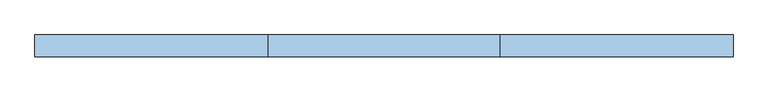
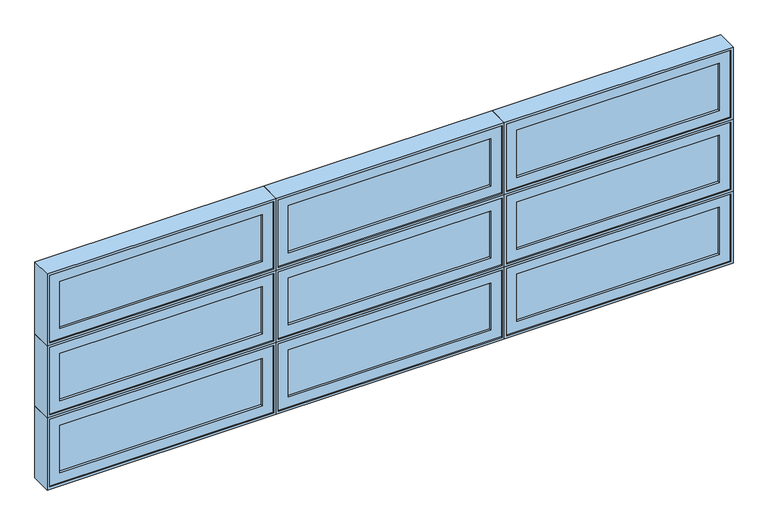
"""IFC4 building model written with IfcOpenShell, lengths in millimetres: window geometry."""

from ifc_helpers import new_model, si_unit, frame, origin, place, context, project, spatial, polyline, outline, extrude, faceted_brep, source, transform, mapped, element, save


def window_09b74c7e(model_context):
    return source(origin(), model_context, "Body", "SolidModel", [
        faceted_brep([(-2310.9781766, -42.8625, 1739.9), (-3504.7781766, -42.8625, 1739.9), (-3504.7781766, -93.6625, 1739.9), (-2310.9781766, -93.6625, 1739.9), (-2330.0281766, 20.6375, 1758.95), (-3485.7281766, 20.6375, 1758.95), (-3485.7281766, -42.8625, 1758.95), (-2330.0281766, -42.8625, 1758.95), (-2298.2781766, -93.6625, 1727.2), (-3517.4781766, -93.6625, 1727.2), (-3517.4781766, 20.6375, 1727.2), (-2298.2781766, 20.6375, 1727.2), (-3504.7781766, -42.8625, 2120.9), (-3504.7781766, -93.6625, 2120.9), (-3485.7281766, 20.6375, 2101.85), (-3485.7281766, -42.8625, 2101.85), (-3517.4781766, -93.6625, 2133.6), (-3517.4781766, 20.6375, 2133.6), (-2310.9781766, -42.8625, 2120.9), (-2310.9781766, -93.6625, 2120.9), (-2330.0281766, 20.6375, 2101.85), (-2330.0281766, -42.8625, 2101.85), (-2298.2781766, -93.6625, 2133.6), (-2298.2781766, 20.6375, 2133.6)], [[[0, 1, 2, 3]], [[4, 5, 6, 7]], [[8, 9, 10, 11]], [[1, 12, 13, 2]], [[5, 14, 15, 6]], [[9, 16, 17, 10]], [[12, 18, 19, 13]], [[14, 20, 21, 15]], [[16, 22, 23, 17]], [[9, 8, 22, 16], [3, 2, 13, 19]], [[18, 0, 3, 19]], [[1, 0, 18, 12], [7, 6, 15, 21]], [[20, 4, 7, 21]], [[11, 10, 17, 23], [5, 4, 20, 14]], [[22, 8, 11, 23]]]),
        extrude(outline(polyline([(-2368.1281766, -74.6125), (-3447.6281766, -74.6125), (-3447.6281766, -68.2625), (-2368.1281766, -68.2625), (-2368.1281766, -74.6125)])), frame((0.0, 0.0, 1797.05), z_axis=(0.0, 0.0, 1.0), x_axis=(1.0, 0.0, 0.0)), (0.0, 0.0, 1.0), 266.7),
        extrude(outline(polyline([(-2368.1281766, -61.9125), (-3447.6281766, -61.9125), (-3447.6281766, -55.5625), (-2368.1281766, -55.5625), (-2368.1281766, -61.9125)])), frame((0.0, 0.0, 1797.05), z_axis=(0.0, 0.0, 1.0), x_axis=(1.0, 0.0, 0.0)), (0.0, 0.0, 1.0), 266.7),
        extrude(outline(polyline([(2120.9, -3504.7781766), (1739.9, -3504.7781766), (1739.9, -2310.9781766), (2120.9, -2310.9781766), (2120.9, -3504.7781766)]), holes=[polyline([(1797.05, -3447.6281766), (2063.75, -3447.6281766), (2063.75, -2368.1281766), (1797.05, -2368.1281766), (1797.05, -3447.6281766)])]), frame((0.0, -87.3125, 0.0), z_axis=(0.0, 1.0, 0.0), x_axis=(0.0, 0.0, 1.0)), (0.0, 0.0, 1.0), 44.45),
        faceted_brep([(-2310.9781766, -42.8625, 1333.5), (-3504.7781766, -42.8625, 1333.5), (-3504.7781766, -93.6625, 1333.5), (-2310.9781766, -93.6625, 1333.5), (-2330.0281766, 20.6375, 1352.55), (-3485.7281766, 20.6375, 1352.55), (-3485.7281766, -42.8625, 1352.55), (-2330.0281766, -42.8625, 1352.55), (-2298.2781766, -93.6625, 1320.8), (-3517.4781766, -93.6625, 1320.8), (-3517.4781766, 20.6375, 1320.8), (-2298.2781766, 20.6375, 1320.8), (-3504.7781766, -42.8625, 1714.5), (-3504.7781766, -93.6625, 1714.5), (-3485.7281766, 20.6375, 1695.45), (-3485.7281766, -42.8625, 1695.45), (-3517.4781766, -93.6625, 1727.2), (-3517.4781766, 20.6375, 1727.2), (-2310.9781766, -42.8625, 1714.5), (-2310.9781766, -93.6625, 1714.5), (-2330.0281766, 20.6375, 1695.45), (-2330.0281766, -42.8625, 1695.45), (-2298.2781766, -93.6625, 1727.2), (-2298.2781766, 20.6375, 1727.2)], [[[0, 1, 2, 3]], [[4, 5, 6, 7]], [[8, 9, 10, 11]], [[1, 12, 13, 2]], [[5, 14, 15, 6]], [[9, 16, 17, 10]], [[12, 18, 19, 13]], [[14, 20, 21, 15]], [[16, 22, 23, 17]], [[9, 8, 22, 16], [3, 2, 13, 19]], [[18, 0, 3, 19]], [[1, 0, 18, 12], [7, 6, 15, 21]], [[20, 4, 7, 21]], [[11, 10, 17, 23], [5, 4, 20, 14]], [[22, 8, 11, 23]]]),
        extrude(outline(polyline([(-2368.1281766, -74.6125), (-3447.6281766, -74.6125), (-3447.6281766, -68.2625), (-2368.1281766, -68.2625), (-2368.1281766, -74.6125)])), frame((0.0, 0.0, 1390.65), z_axis=(0.0, 0.0, 1.0), x_axis=(1.0, 0.0, 0.0)), (0.0, 0.0, 1.0), 266.7),
        extrude(outline(polyline([(-2368.1281766, -61.9125), (-3447.6281766, -61.9125), (-3447.6281766, -55.5625), (-2368.1281766, -55.5625), (-2368.1281766, -61.9125)])), frame((0.0, 0.0, 1390.65), z_axis=(0.0, 0.0, 1.0), x_axis=(1.0, 0.0, 0.0)), (0.0, 0.0, 1.0), 266.7),
        extrude(outline(polyline([(1714.5, -3504.7781766), (1333.5, -3504.7781766), (1333.5, -2310.9781766), (1714.5, -2310.9781766), (1714.5, -3504.7781766)]), holes=[polyline([(1390.65, -3447.6281766), (1657.35, -3447.6281766), (1657.35, -2368.1281766), (1390.65, -2368.1281766), (1390.65, -3447.6281766)])]), frame((0.0, -87.3125, 0.0), z_axis=(0.0, 1.0, 0.0), x_axis=(0.0, 0.0, 1.0)), (0.0, 0.0, 1.0), 44.45),
        faceted_brep([(-2310.9781766, -42.8625, 927.1), (-3504.7781766, -42.8625, 927.1), (-3504.7781766, -93.6625, 927.1), (-2310.9781766, -93.6625, 927.1), (-2330.0281766, 20.6375, 946.15), (-3485.7281766, 20.6375, 946.15), (-3485.7281766, -42.8625, 946.15), (-2330.0281766, -42.8625, 946.15), (-2298.2781766, -93.6625, 914.4), (-3517.4781766, -93.6625, 914.4), (-3517.4781766, 20.6375, 914.4), (-2298.2781766, 20.6375, 914.4), (-3504.7781766, -42.8625, 1308.1), (-3504.7781766, -93.6625, 1308.1), (-3485.7281766, 20.6375, 1289.05), (-3485.7281766, -42.8625, 1289.05), (-3517.4781766, -93.6625, 1320.8), (-3517.4781766, 20.6375, 1320.8), (-2310.9781766, -42.8625, 1308.1), (-2310.9781766, -93.6625, 1308.1), (-2330.0281766, 20.6375, 1289.05), (-2330.0281766, -42.8625, 1289.05), (-2298.2781766, -93.6625, 1320.8), (-2298.2781766, 20.6375, 1320.8)], [[[0, 1, 2, 3]], [[4, 5, 6, 7]], [[8, 9, 10, 11]], [[1, 12, 13, 2]], [[5, 14, 15, 6]], [[9, 16, 17, 10]], [[12, 18, 19, 13]], [[14, 20, 21, 15]], [[16, 22, 23, 17]], [[9, 8, 22, 16], [3, 2, 13, 19]], [[18, 0, 3, 19]], [[1, 0, 18, 12], [7, 6, 15, 21]], [[20, 4, 7, 21]], [[11, 10, 17, 23], [5, 4, 20, 14]], [[22, 8, 11, 23]]]),
        extrude(outline(polyline([(-2368.1281766, -74.6125), (-3447.6281766, -74.6125), (-3447.6281766, -68.2625), (-2368.1281766, -68.2625), (-2368.1281766, -74.6125)])), frame((0.0, 0.0, 984.25), z_axis=(0.0, 0.0, 1.0), x_axis=(1.0, 0.0, 0.0)), (0.0, 0.0, 1.0), 266.7),
        extrude(outline(polyline([(-2368.1281766, -61.9125), (-3447.6281766, -61.9125), (-3447.6281766, -55.5625), (-2368.1281766, -55.5625), (-2368.1281766, -61.9125)])), frame((0.0, 0.0, 984.25), z_axis=(0.0, 0.0, 1.0), x_axis=(1.0, 0.0, 0.0)), (0.0, 0.0, 1.0), 266.7),
        extrude(outline(polyline([(1308.1, -3504.7781766), (927.1, -3504.7781766), (927.1, -2310.9781766), (1308.1, -2310.9781766), (1308.1, -3504.7781766)]), holes=[polyline([(984.25, -3447.6281766), (1250.95, -3447.6281766), (1250.95, -2368.1281766), (984.25, -2368.1281766), (984.25, -3447.6281766)])]), frame((0.0, -87.3125, 0.0), z_axis=(0.0, 1.0, 0.0), x_axis=(0.0, 0.0, 1.0)), (0.0, 0.0, 1.0), 44.45),
        faceted_brep([(127.4218234, -42.8625, 1739.9), (-1066.3781766, -42.8625, 1739.9), (-1066.3781766, -93.6625, 1739.9), (127.4218234, -93.6625, 1739.9), (108.3718234, 20.6375, 1758.95), (-1047.3281766, 20.6375, 1758.95), (-1047.3281766, -42.8625, 1758.95), (108.3718234, -42.8625, 1758.95), (140.1218234, -93.6625, 1727.2), (-1079.0781766, -93.6625, 1727.2), (-1079.0781766, 20.6375, 1727.2), (140.1218234, 20.6375, 1727.2), (-1066.3781766, -42.8625, 2120.9), (-1066.3781766, -93.6625, 2120.9), (-1047.3281766, 20.6375, 2101.85), (-1047.3281766, -42.8625, 2101.85), (-1079.0781766, -93.6625, 2133.6), (-1079.0781766, 20.6375, 2133.6), (127.4218234, -42.8625, 2120.9), (127.4218234, -93.6625, 2120.9), (108.3718234, 20.6375, 2101.85), (108.3718234, -42.8625, 2101.85), (140.1218234, -93.6625, 2133.6), (140.1218234, 20.6375, 2133.6)], [[[0, 1, 2, 3]], [[4, 5, 6, 7]], [[8, 9, 10, 11]], [[1, 12, 13, 2]], [[5, 14, 15, 6]], [[9, 16, 17, 10]], [[12, 18, 19, 13]], [[14, 20, 21, 15]], [[16, 22, 23, 17]], [[9, 8, 22, 16], [3, 2, 13, 19]], [[18, 0, 3, 19]], [[1, 0, 18, 12], [7, 6, 15, 21]], [[20, 4, 7, 21]], [[11, 10, 17, 23], [5, 4, 20, 14]], [[22, 8, 11, 23]]]),
        extrude(outline(polyline([(70.2718234, -74.6125), (-1009.2281766, -74.6125), (-1009.2281766, -68.2625), (70.2718234, -68.2625), (70.2718234, -74.6125)])), frame((0.0, 0.0, 1797.05), z_axis=(0.0, 0.0, 1.0), x_axis=(1.0, 0.0, 0.0)), (0.0, 0.0, 1.0), 266.7),
        extrude(outline(polyline([(70.2718234, -61.9125), (-1009.2281766, -61.9125), (-1009.2281766, -55.5625), (70.2718234, -55.5625), (70.2718234, -61.9125)])), frame((0.0, 0.0, 1797.05), z_axis=(0.0, 0.0, 1.0), x_axis=(1.0, 0.0, 0.0)), (0.0, 0.0, 1.0), 266.7),
        extrude(outline(polyline([(2120.9, -1066.3781766), (1739.9, -1066.3781766), (1739.9, 127.4218234), (2120.9, 127.4218234), (2120.9, -1066.3781766)]), holes=[polyline([(1797.05, -1009.2281766), (2063.75, -1009.2281766), (2063.75, 70.2718234), (1797.05, 70.2718234), (1797.05, -1009.2281766)])]), frame((0.0, -87.3125, 0.0), z_axis=(0.0, 1.0, 0.0), x_axis=(0.0, 0.0, 1.0)), (0.0, 0.0, 1.0), 44.45),
        faceted_brep([(127.4218234, -42.8625, 1333.5), (-1066.3781766, -42.8625, 1333.5), (-1066.3781766, -93.6625, 1333.5), (127.4218234, -93.6625, 1333.5), (108.3718234, 20.6375, 1352.55), (-1047.3281766, 20.6375, 1352.55), (-1047.3281766, -42.8625, 1352.55), (108.3718234, -42.8625, 1352.55), (140.1218234, -93.6625, 1320.8), (-1079.0781766, -93.6625, 1320.8), (-1079.0781766, 20.6375, 1320.8), (140.1218234, 20.6375, 1320.8), (-1066.3781766, -42.8625, 1714.5), (-1066.3781766, -93.6625, 1714.5), (-1047.3281766, 20.6375, 1695.45), (-1047.3281766, -42.8625, 1695.45), (-1079.0781766, -93.6625, 1727.2), (-1079.0781766, 20.6375, 1727.2), (127.4218234, -42.8625, 1714.5), (127.4218234, -93.6625, 1714.5), (108.3718234, 20.6375, 1695.45), (108.3718234, -42.8625, 1695.45), (140.1218234, -93.6625, 1727.2), (140.1218234, 20.6375, 1727.2)], [[[0, 1, 2, 3]], [[4, 5, 6, 7]], [[8, 9, 10, 11]], [[1, 12, 13, 2]], [[5, 14, 15, 6]], [[9, 16, 17, 10]], [[12, 18, 19, 13]], [[14, 20, 21, 15]], [[16, 22, 23, 17]], [[9, 8, 22, 16], [3, 2, 13, 19]], [[18, 0, 3, 19]], [[1, 0, 18, 12], [7, 6, 15, 21]], [[20, 4, 7, 21]], [[11, 10, 17, 23], [5, 4, 20, 14]], [[22, 8, 11, 23]]]),
        extrude(outline(polyline([(70.2718234, -74.6125), (-1009.2281766, -74.6125), (-1009.2281766, -68.2625), (70.2718234, -68.2625), (70.2718234, -74.6125)])), frame((0.0, 0.0, 1390.65), z_axis=(0.0, 0.0, 1.0), x_axis=(1.0, 0.0, 0.0)), (0.0, 0.0, 1.0), 266.7),
        extrude(outline(polyline([(70.2718234, -61.9125), (-1009.2281766, -61.9125), (-1009.2281766, -55.5625), (70.2718234, -55.5625), (70.2718234, -61.9125)])), frame((0.0, 0.0, 1390.65), z_axis=(0.0, 0.0, 1.0), x_axis=(1.0, 0.0, 0.0)), (0.0, 0.0, 1.0), 266.7),
        extrude(outline(polyline([(1714.5, -1066.3781766), (1333.5, -1066.3781766), (1333.5, 127.4218234), (1714.5, 127.4218234), (1714.5, -1066.3781766)]), holes=[polyline([(1390.65, -1009.2281766), (1657.35, -1009.2281766), (1657.35, 70.2718234), (1390.65, 70.2718234), (1390.65, -1009.2281766)])]), frame((0.0, -87.3125, 0.0), z_axis=(0.0, 1.0, 0.0), x_axis=(0.0, 0.0, 1.0)), (0.0, 0.0, 1.0), 44.45),
        faceted_brep([(127.4218234, -42.8625, 927.1), (-1066.3781766, -42.8625, 927.1), (-1066.3781766, -93.6625, 927.1), (127.4218234, -93.6625, 927.1), (108.3718234, 20.6375, 946.15), (-1047.3281766, 20.6375, 946.15), (-1047.3281766, -42.8625, 946.15), (108.3718234, -42.8625, 946.15), (140.1218234, -93.6625, 914.4), (-1079.0781766, -93.6625, 914.4), (-1079.0781766, 20.6375, 914.4), (140.1218234, 20.6375, 914.4), (-1066.3781766, -42.8625, 1308.1), (-1066.3781766, -93.6625, 1308.1), (-1047.3281766, 20.6375, 1289.05), (-1047.3281766, -42.8625, 1289.05), (-1079.0781766, -93.6625, 1320.8), (-1079.0781766, 20.6375, 1320.8), (127.4218234, -42.8625, 1308.1), (127.4218234, -93.6625, 1308.1), (108.3718234, 20.6375, 1289.05), (108.3718234, -42.8625, 1289.05), (140.1218234, -93.6625, 1320.8), (140.1218234, 20.6375, 1320.8)], [[[0, 1, 2, 3]], [[4, 5, 6, 7]], [[8, 9, 10, 11]], [[1, 12, 13, 2]], [[5, 14, 15, 6]], [[9, 16, 17, 10]], [[12, 18, 19, 13]], [[14, 20, 21, 15]], [[16, 22, 23, 17]], [[9, 8, 22, 16], [3, 2, 13, 19]], [[18, 0, 3, 19]], [[1, 0, 18, 12], [7, 6, 15, 21]], [[20, 4, 7, 21]], [[11, 10, 17, 23], [5, 4, 20, 14]], [[22, 8, 11, 23]]]),
        extrude(outline(polyline([(70.2718234, -74.6125), (-1009.2281766, -74.6125), (-1009.2281766, -68.2625), (70.2718234, -68.2625), (70.2718234, -74.6125)])), frame((0.0, 0.0, 984.25), z_axis=(0.0, 0.0, 1.0), x_axis=(1.0, 0.0, 0.0)), (0.0, 0.0, 1.0), 266.7),
        extrude(outline(polyline([(70.2718234, -61.9125), (-1009.2281766, -61.9125), (-1009.2281766, -55.5625), (70.2718234, -55.5625), (70.2718234, -61.9125)])), frame((0.0, 0.0, 984.25), z_axis=(0.0, 0.0, 1.0), x_axis=(1.0, 0.0, 0.0)), (0.0, 0.0, 1.0), 266.7),
        extrude(outline(polyline([(1308.1, -1066.3781766), (927.1, -1066.3781766), (927.1, 127.4218234), (1308.1, 127.4218234), (1308.1, -1066.3781766)]), holes=[polyline([(984.25, -1009.2281766), (1250.95, -1009.2281766), (1250.95, 70.2718234), (984.25, 70.2718234), (984.25, -1009.2281766)])]), frame((0.0, -87.3125, 0.0), z_axis=(0.0, 1.0, 0.0), x_axis=(0.0, 0.0, 1.0)), (0.0, 0.0, 1.0), 44.45),
        faceted_brep([(-2285.5781766, -42.8625, 1739.9), (-2285.5781766, -93.6625, 1739.9), (-1091.7781766, -93.6625, 1739.9), (-1091.7781766, -42.8625, 1739.9), (-2266.5281766, 20.6375, 1758.95), (-2266.5281766, -42.8625, 1758.95), (-1110.8281766, -42.8625, 1758.95), (-1110.8281766, 20.6375, 1758.95), (-2298.2781766, -93.6625, 1727.2), (-2298.2781766, 20.6375, 1727.2), (-1079.0781766, 20.6375, 1727.2), (-1079.0781766, -93.6625, 1727.2), (-1091.7781766, -93.6625, 2120.9), (-1091.7781766, -42.8625, 2120.9), (-1110.8281766, -42.8625, 2101.85), (-1110.8281766, 20.6375, 2101.85), (-1079.0781766, 20.6375, 2133.6), (-1079.0781766, -93.6625, 2133.6), (-2285.5781766, -93.6625, 2120.9), (-2285.5781766, -42.8625, 2120.9), (-2266.5281766, -42.8625, 2101.85), (-2266.5281766, 20.6375, 2101.85), (-2298.2781766, 20.6375, 2133.6), (-2298.2781766, -93.6625, 2133.6)], [[[0, 1, 2, 3]], [[4, 5, 6, 7]], [[8, 9, 10, 11]], [[3, 2, 12, 13]], [[7, 6, 14, 15]], [[11, 10, 16, 17]], [[13, 12, 18, 19]], [[15, 14, 20, 21]], [[17, 16, 22, 23]], [[11, 17, 23, 8], [1, 18, 12, 2]], [[19, 18, 1, 0]], [[3, 13, 19, 0], [5, 20, 14, 6]], [[21, 20, 5, 4]], [[9, 22, 16, 10], [7, 15, 21, 4]], [[23, 22, 9, 8]]]),
        extrude(outline(polyline([(-2228.4281766, -74.6125), (-2228.4281766, -68.2625), (-1148.9281766, -68.2625), (-1148.9281766, -74.6125), (-2228.4281766, -74.6125)])), frame((0.0, 0.0, 1797.05), z_axis=(0.0, 0.0, 1.0), x_axis=(1.0, 0.0, 0.0)), (0.0, 0.0, 1.0), 266.7),
        extrude(outline(polyline([(-2228.4281766, -61.9125), (-2228.4281766, -55.5625), (-1148.9281766, -55.5625), (-1148.9281766, -61.9125), (-2228.4281766, -61.9125)])), frame((0.0, 0.0, 1797.05), z_axis=(0.0, 0.0, 1.0), x_axis=(1.0, 0.0, 0.0)), (0.0, 0.0, 1.0), 266.7),
        extrude(outline(polyline([(2120.9, -1091.7781766), (2120.9, -2285.5781766), (1739.9, -2285.5781766), (1739.9, -1091.7781766), (2120.9, -1091.7781766)]), holes=[polyline([(1797.05, -1148.9281766), (1797.05, -2228.4281766), (2063.75, -2228.4281766), (2063.75, -1148.9281766), (1797.05, -1148.9281766)])]), frame((0.0, -87.3125, 0.0), z_axis=(0.0, 1.0, 0.0), x_axis=(0.0, 0.0, 1.0)), (0.0, 0.0, 1.0), 44.45),
        faceted_brep([(-2285.5781766, -42.8625, 1333.5), (-2285.5781766, -93.6625, 1333.5), (-1091.7781766, -93.6625, 1333.5), (-1091.7781766, -42.8625, 1333.5), (-2266.5281766, 20.6375, 1352.55), (-2266.5281766, -42.8625, 1352.55), (-1110.8281766, -42.8625, 1352.55), (-1110.8281766, 20.6375, 1352.55), (-2298.2781766, -93.6625, 1320.8), (-2298.2781766, 20.6375, 1320.8), (-1079.0781766, 20.6375, 1320.8), (-1079.0781766, -93.6625, 1320.8), (-1091.7781766, -93.6625, 1714.5), (-1091.7781766, -42.8625, 1714.5), (-1110.8281766, -42.8625, 1695.45), (-1110.8281766, 20.6375, 1695.45), (-1079.0781766, 20.6375, 1727.2), (-1079.0781766, -93.6625, 1727.2), (-2285.5781766, -93.6625, 1714.5), (-2285.5781766, -42.8625, 1714.5), (-2266.5281766, -42.8625, 1695.45), (-2266.5281766, 20.6375, 1695.45), (-2298.2781766, 20.6375, 1727.2), (-2298.2781766, -93.6625, 1727.2)], [[[0, 1, 2, 3]], [[4, 5, 6, 7]], [[8, 9, 10, 11]], [[3, 2, 12, 13]], [[7, 6, 14, 15]], [[11, 10, 16, 17]], [[13, 12, 18, 19]], [[15, 14, 20, 21]], [[17, 16, 22, 23]], [[11, 17, 23, 8], [1, 18, 12, 2]], [[19, 18, 1, 0]], [[3, 13, 19, 0], [5, 20, 14, 6]], [[21, 20, 5, 4]], [[9, 22, 16, 10], [7, 15, 21, 4]], [[23, 22, 9, 8]]]),
        extrude(outline(polyline([(-2228.4281766, -74.6125), (-2228.4281766, -68.2625), (-1148.9281766, -68.2625), (-1148.9281766, -74.6125), (-2228.4281766, -74.6125)])), frame((0.0, 0.0, 1390.65), z_axis=(0.0, 0.0, 1.0), x_axis=(1.0, 0.0, 0.0)), (0.0, 0.0, 1.0), 266.7),
        extrude(outline(polyline([(-2228.4281766, -61.9125), (-2228.4281766, -55.5625), (-1148.9281766, -55.5625), (-1148.9281766, -61.9125), (-2228.4281766, -61.9125)])), frame((0.0, 0.0, 1390.65), z_axis=(0.0, 0.0, 1.0), x_axis=(1.0, 0.0, 0.0)), (0.0, 0.0, 1.0), 266.7),
        extrude(outline(polyline([(1714.5, -1091.7781766), (1714.5, -2285.5781766), (1333.5, -2285.5781766), (1333.5, -1091.7781766), (1714.5, -1091.7781766)]), holes=[polyline([(1390.65, -1148.9281766), (1390.65, -2228.4281766), (1657.35, -2228.4281766), (1657.35, -1148.9281766), (1390.65, -1148.9281766)])]), frame((0.0, -87.3125, 0.0), z_axis=(0.0, 1.0, 0.0), x_axis=(0.0, 0.0, 1.0)), (0.0, 0.0, 1.0), 44.45),
        faceted_brep([(-2285.5781766, -42.8625, 927.1), (-2285.5781766, -93.6625, 927.1), (-1091.7781766, -93.6625, 927.1), (-1091.7781766, -42.8625, 927.1), (-2266.5281766, 20.6375, 946.15), (-2266.5281766, -42.8625, 946.15), (-1110.8281766, -42.8625, 946.15), (-1110.8281766, 20.6375, 946.15), (-2298.2781766, -93.6625, 914.4), (-2298.2781766, 20.6375, 914.4), (-1079.0781766, 20.6375, 914.4), (-1079.0781766, -93.6625, 914.4), (-1091.7781766, -93.6625, 1308.1), (-1091.7781766, -42.8625, 1308.1), (-1110.8281766, -42.8625, 1289.05), (-1110.8281766, 20.6375, 1289.05), (-1079.0781766, 20.6375, 1320.8), (-1079.0781766, -93.6625, 1320.8), (-2285.5781766, -93.6625, 1308.1), (-2285.5781766, -42.8625, 1308.1), (-2266.5281766, -42.8625, 1289.05), (-2266.5281766, 20.6375, 1289.05), (-2298.2781766, 20.6375, 1320.8), (-2298.2781766, -93.6625, 1320.8)], [[[0, 1, 2, 3]], [[4, 5, 6, 7]], [[8, 9, 10, 11]], [[3, 2, 12, 13]], [[7, 6, 14, 15]], [[11, 10, 16, 17]], [[13, 12, 18, 19]], [[15, 14, 20, 21]], [[17, 16, 22, 23]], [[11, 17, 23, 8], [1, 18, 12, 2]], [[19, 18, 1, 0]], [[3, 13, 19, 0], [5, 20, 14, 6]], [[21, 20, 5, 4]], [[9, 22, 16, 10], [7, 15, 21, 4]], [[23, 22, 9, 8]]]),
        extrude(outline(polyline([(-2228.4281766, -74.6125), (-2228.4281766, -68.2625), (-1148.9281766, -68.2625), (-1148.9281766, -74.6125), (-2228.4281766, -74.6125)])), frame((0.0, 0.0, 984.25), z_axis=(0.0, 0.0, 1.0), x_axis=(1.0, 0.0, 0.0)), (0.0, 0.0, 1.0), 266.7),
        extrude(outline(polyline([(-2228.4281766, -61.9125), (-2228.4281766, -55.5625), (-1148.9281766, -55.5625), (-1148.9281766, -61.9125), (-2228.4281766, -61.9125)])), frame((0.0, 0.0, 984.25), z_axis=(0.0, 0.0, 1.0), x_axis=(1.0, 0.0, 0.0)), (0.0, 0.0, 1.0), 266.7),
        extrude(outline(polyline([(1308.1, -1091.7781766), (1308.1, -2285.5781766), (927.1, -2285.5781766), (927.1, -1091.7781766), (1308.1, -1091.7781766)]), holes=[polyline([(984.25, -1148.9281766), (984.25, -2228.4281766), (1250.95, -2228.4281766), (1250.95, -1148.9281766), (984.25, -1148.9281766)])]), frame((0.0, -87.3125, 0.0), z_axis=(0.0, 1.0, 0.0), x_axis=(0.0, 0.0, 1.0)), (0.0, 0.0, 1.0), 44.45),
    ])


if __name__ == "__main__":
    model = new_model("IFC4")
    model_context = context("Model", 3, world=origin())
    ifc_project = project(units=[si_unit("LENGTHUNIT", "METRE", prefix="MILLI")], contexts=[model_context])
    site = spatial("IfcSite", under=ifc_project)
    building = spatial("IfcBuilding", under=site)
    placement = place(None, origin())
    window_shape = window_09b74c7e(model_context)
    element("IfcWindow", 1, at=placement, inside=building, context=model_context, shape_type="MappedRepresentation", body=[
        mapped(window_shape, transform((0.0, 0.0, 0.0), x_axis=(1.0, 0.0, 0.0), y_axis=(0.0, 1.0, 0.0), z_axis=(0.0, 0.0, 1.0))),
    ])
    save(model, "model.ifc")
